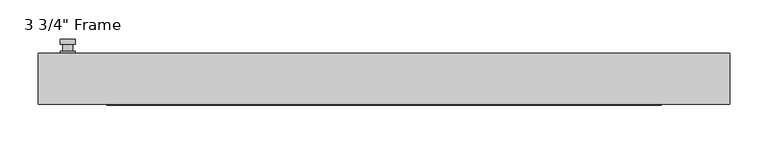
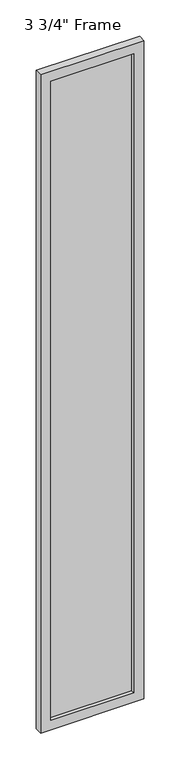
"""IFC4 building model written with IfcOpenShell, lengths in millimetres: plate geometry."""

from ifc_helpers import new_model, si_unit, frame, origin, place, context, project, spatial, polyline, circle_curve, outline, extrude, faceted_brep, source, transform, mapped, element, save
from ifc_brep_helpers import plane_surface, cylinder_surface, advanced_brep


def plate_6ce7bf74(model_context):
    return source(origin(), model_context, "Body", "SolidModel", [
        advanced_brep(
        [(-401.6375, 33.3375, 927.1), (-420.6875, 33.3375, 927.1), (-420.6875, 33.3375, 901.7), (-401.6375, 33.3375, 901.7), (-404.8125, 46.0375, 914.4), (-404.8125, 36.5125, 914.4), (-417.5125, 36.5125, 914.4), (-417.5125, 46.0375, 914.4), (-401.6375, 46.0375, 914.4), (-420.6875, 46.0375, 914.4), (-417.5084644, 46.0375, 825.2736467), (-404.8165356, 46.0375, 825.2736467), (-401.6375, 52.3875, 914.4), (-404.8165356, 52.3875, 825.2736467), (-417.5084644, 52.3875, 825.2736467), (-420.6875, 52.3875, 914.4), (-401.6375, 36.5125, 927.1), (-401.6375, 36.5125, 901.7), (-420.6875, 36.5125, 901.7), (-420.6875, 36.5125, 927.1)],
        [
            (0, 1, circle_curve(frame((-411.1625, 33.3375, 927.1), z_axis=(0.0, -1.0, 0.0), x_axis=(-1.0, 0.0, 0.0)), 9.525)),
            (1, 2),
            (2, 3, circle_curve(frame((-411.1625, 33.3375, 901.7), z_axis=(0.0, -1.0, 0.0), x_axis=(-1.0, 0.0, 0.0)), 9.525)),
            (3, 0),
            (4, 5),
            (5, 6, circle_curve(frame((-411.1625, 36.5125, 914.4), z_axis=(0.0, 1.0, 0.0), x_axis=(-1.0, 0.0, 0.0)), 6.35)),
            (6, 7),
            (7, 4, circle_curve(frame((-411.1625, 46.0375, 914.4), z_axis=(0.0, -1.0, 0.0), x_axis=(-1.0, 0.0, 0.0)), 6.35)),
            (6, 5, circle_curve(frame((-411.1625, 36.5125, 914.4), z_axis=(0.0, 1.0, 0.0), x_axis=(-1.0, 0.0, 0.0)), 6.35)),
            (4, 7, circle_curve(frame((-411.1625, 46.0375, 914.4), z_axis=(0.0, -1.0, 0.0), x_axis=(-1.0, 0.0, 0.0)), 6.35)),
            (8, 9, circle_curve(frame((-411.1625, 46.0375, 914.4), z_axis=(0.0, -1.0, 0.0), x_axis=(-1.0, 0.0, 0.0)), 9.525)),
            (9, 10),
            (10, 11, circle_curve(frame((-411.1625, 46.0375, 825.5), z_axis=(0.0, -1.0, 0.0), x_axis=(-1.0, 0.0, 0.0)), 6.35)),
            (11, 8),
            (12, 13),
            (13, 14, circle_curve(frame((-411.1625, 52.3875, 825.5), z_axis=(0.0, 1.0, 0.0), x_axis=(-1.0, 0.0, 0.0)), 6.35)),
            (14, 15),
            (15, 12, circle_curve(frame((-411.1625, 52.3875, 914.4), z_axis=(0.0, 1.0, 0.0), x_axis=(-1.0, 0.0, 0.0)), 9.525)),
            (11, 13),
            (12, 8),
            (10, 14),
            (9, 15),
            (16, 17),
            (17, 18, circle_curve(frame((-411.1625, 36.5125, 901.7), z_axis=(0.0, 1.0, 0.0), x_axis=(-1.0, 0.0, 0.0)), 9.525)),
            (18, 19),
            (19, 16, circle_curve(frame((-411.1625, 36.5125, 927.1), z_axis=(0.0, 1.0, 0.0), x_axis=(-1.0, 0.0, 0.0)), 9.525)),
            (3, 17),
            (16, 0),
            (2, 18),
            (1, 19),
        ],
        [
            plane_surface(frame((-417.5125, 33.3375, 914.4), z_axis=(0.0, -1.0, 0.0), x_axis=(0.0, 0.0, 1.0))),
            cylinder_surface(frame((-411.1625, 46.0375, 914.4), z_axis=(0.0, -1.0, 0.0), x_axis=(-1.0, 0.0, 0.0)), 6.35),
            plane_surface(frame((-401.6375, 46.0375, 914.4), z_axis=(0.0, -1.0000000000000002, 0.0), x_axis=(-0.03564619348186888, 0.0, -0.9993644724975235))),
            plane_surface(frame((-401.6375, 52.3875, 914.4), z_axis=(0.0, 1.0000000000000002, 0.0), x_axis=(0.03564619348186888, 0.0, 0.9993644724975235))),
            plane_surface(frame((-401.6375, 46.0375, 914.4), z_axis=(0.9993644724975235, 0.0, -0.03564619348186888), x_axis=(0.0, 1.0, 0.0))),
            cylinder_surface(frame((-411.1625, 52.3875, 825.5), z_axis=(0.0, -1.0, 0.0), x_axis=(-1.0, 0.0, 0.0)), 6.35),
            plane_surface(frame((-417.5084644, 46.0375, 825.2736467), z_axis=(-0.9993644724975228, 0.0, -0.03564619348188612), x_axis=(0.0, 1.0, 0.0))),
            cylinder_surface(frame((-411.1625, 52.3875, 914.4), z_axis=(0.0, -1.0, 0.0), x_axis=(-1.0, 0.0, 0.0)), 9.525),
            plane_surface(frame((-401.6375, 36.5125, 901.7), z_axis=(0.0, 1.0, 0.0), x_axis=(0.0, 0.0, 1.0))),
            plane_surface(frame((-401.6375, 33.3375, 927.1), z_axis=(1.0, 0.0, 0.0), x_axis=(0.0, 1.0, 0.0))),
            cylinder_surface(frame((-411.1625, 36.5125, 901.7), z_axis=(0.0, -1.0, 0.0), x_axis=(-1.0, 0.0, 0.0)), 9.525),
            plane_surface(frame((-420.6875, 33.3375, 901.7), z_axis=(-1.0, 0.0, 0.0), x_axis=(0.0, 1.0, 0.0))),
            cylinder_surface(frame((-411.1625, 36.5125, 927.1), z_axis=(0.0, -1.0, 0.0), x_axis=(-1.0, 0.0, 0.0)), 9.525),
        ],
        [
            (0, [[1, 2, 3, 4]]),
            (1, [[5, 6, 7, 8]]),
            (1, [[-7, 9, -5, 10]]),
            (2, [[11, 12, 13, 14], [-10, -8]]),
            (3, [[15, 16, 17, 18]]),
            (4, [[19, -15, 20, -14]]),
            (5, [[21, -16, -19, -13]]),
            (6, [[22, -17, -21, -12]]),
            (7, [[-20, -18, -22, -11]]),
            (8, [[23, 24, 25, 26], [-9, -6]]),
            (9, [[27, -23, 28, -4]]),
            (10, [[29, -24, -27, -3]]),
            (11, [[30, -25, -29, -2]]),
            (12, [[-28, -26, -30, -1]]),
        ],
    ),
        faceted_brep([(-449.2625, 33.3375, 0.0), (449.2625, 33.3375, 0.0), (449.2625, -33.3375, 0.0), (-449.2625, -33.3375, 0.0), (-449.2625, 33.3375, 6049.9625), (449.2625, 33.3375, 6049.9625), (-360.3625, 33.3375, 5961.0625), (-360.3625, 33.3375, 88.9), (360.3625, 33.3375, 88.9), (360.3625, 33.3375, 5961.0625), (-449.2625, -33.3375, 6049.9625), (449.2625, -33.3375, 6049.9625), (-360.3625, -33.3375, 5961.0625), (360.3625, -33.3375, 5961.0625), (360.3625, -33.3375, 88.9), (-360.3625, -33.3375, 88.9), (-354.0125, -11.90625, 95.25), (-354.0125, -11.90625, 5954.7125), (366.7125, -11.90625, 5967.4125), (366.7125, -11.90625, 82.55), (-366.7125, -11.90625, 82.55), (-366.7125, -11.90625, 5967.4125), (354.0125, -11.90625, 95.25), (354.0125, -11.90625, 5954.7125), (-366.7125, 11.90625, 82.55), (-366.7125, 11.90625, 5967.4125), (366.7125, 11.90625, 82.55), (366.7125, 11.90625, 5967.4125), (-354.0125, 11.90625, 5954.7125), (354.0125, 11.90625, 5954.7125), (354.0125, 11.90625, 95.25), (-354.0125, 11.90625, 95.25)], [[[0, 1, 2, 3]], [[0, 4, 5, 1], [6, 7, 8, 9]], [[3, 10, 4, 0]], [[2, 11, 10, 3], [12, 13, 14, 15]], [[12, 15, 16, 17]], [[18, 19, 20, 21], [17, 16, 22, 23]], [[20, 24, 25, 21]], [[25, 24, 26, 27], [28, 29, 30, 31]], [[28, 31, 7, 6]], [[4, 10, 11, 5]], [[12, 17, 23, 13]], [[21, 25, 27, 18]], [[9, 29, 28, 6]], [[5, 11, 2, 1]], [[23, 22, 14, 13]], [[26, 19, 18, 27]], [[9, 8, 30, 29]], [[7, 31, 30, 8]], [[19, 26, 24, 20]], [[16, 15, 14, 22]]]),
        extrude(outline(polyline([(366.7125, 11.90625), (366.7125, -11.90625), (-366.7125, -11.90625), (-366.7125, 11.90625), (366.7125, 11.90625)])), frame((0.0, 0.0, 82.55), z_axis=(0.0, 0.0, 1.0), x_axis=(1.0, 0.0, 0.0)), (0.0, 0.0, 1.0), 5884.8625),
    ])


if __name__ == "__main__":
    model = new_model("IFC4")
    model_context = context("Model", 3, world=origin())
    ifc_project = project(units=[si_unit("LENGTHUNIT", "METRE", prefix="MILLI")], contexts=[model_context])
    site = spatial("IfcSite", under=ifc_project)
    building = spatial("IfcBuilding", under=site)
    placement = place(None, origin())
    plate_shape = plate_6ce7bf74(model_context)
    element("IfcPlate", 1, ObjectType="3 3/4\" Frame", at=placement, inside=building, context=model_context, shape_type="MappedRepresentation", body=[
        mapped(plate_shape, transform((0.0, 0.0, 0.0), x_axis=(1.0, 0.0, 0.0), y_axis=(0.0, 1.0, 0.0), z_axis=(0.0, 0.0, 1.0))),
    ])
    save(model, "model.ifc")
